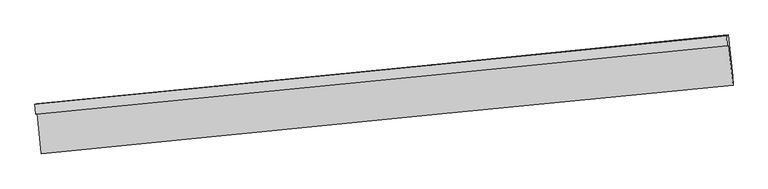
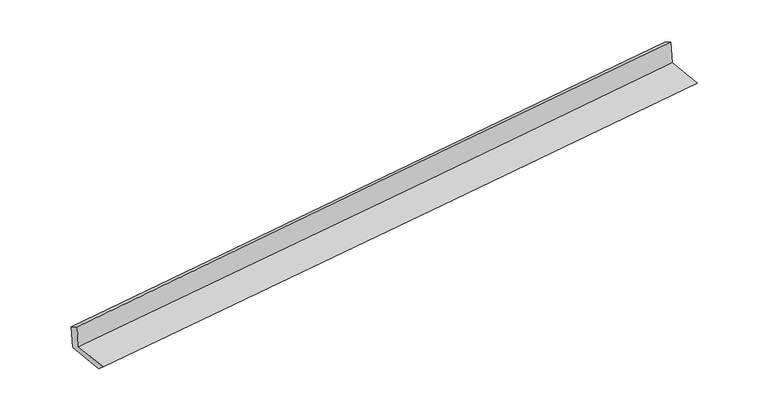
"""IFC4 building model written with IfcOpenShell, lengths in millimetres: proxy geometry."""

from ifc_helpers import new_model, si_unit, frame, origin, place, context, project, spatial, source, transform, mapped, element, save
from ifc_brep_helpers import plane_surface, spline_curve, spline_surface, advanced_brep


def generic_models_1420436c(model_context):
    return source(origin(), model_context, "Body", "AdvancedBrep", [
        advanced_brep(
        [(-5924.4236817, -2096.6473435, 1493.6797297), (-5857.0507228, -2749.0366444, 1482.7555403), (5418.3965948, -1632.4366155, 2237.4193557), (5350.5100832, -975.0744553, 2248.4268151), (-5950.8941823, -2105.9718748, 1887.2859124), (5323.3687733, -984.6352867, 2652.0076746), (-5960.9659802, -1940.256217, 1788.9867244), (5313.2969754, -818.919629, 2553.7084866), (-5933.6038391, -1930.6175954, 1382.12219), (5340.6591165, -809.2810073, 2146.8439522), (-5862.9095311, -2615.1683542, 1370.6594603), (5410.3263192, -1483.8860475, 2135.5477625)],
        [
            (0, 1),
            (1, 2, spline_curve(3, [(-5857.0507228, -2749.0366444, 1482.7555403), (-3707.173144406, -2532.039958609, 1616.718831322), (-1557.445980112, -2317.400674272, 1756.350049064), (2200.970303011, -1946.237521307, 2010.39758004), (3809.725577411, -1788.676795997, 2122.320968075), (5418.3965948, -1632.4366155, 2237.4193557)], [4, 2, 4], [0.0, 21.30827477866371, 37.25634214070034])),
            (2, 3),
            (3, 0, spline_curve(3, [(5350.5100832, -975.0744553, 2248.4268151), (3742.382833774, -1136.580078424, 2133.240258053), (2133.969927491, -1297.456043157, 2021.261356842), (-1624.117036889, -1671.808063311, 1767.160428834), (-3774.015385919, -1884.789727757, 1627.556967964), (-5924.4236817, -2096.6473435, 1493.6797297)], [4, 2, 4], [0.0, 15.948067362036632, 37.25634214070034])),
            (4, 0),
            (3, 5),
            (5, 4, spline_curve(3, [(5323.3687733, -984.6352867, 2652.0076746), (3714.583449129, -1146.372723731, 2546.606437861), (2105.835138096, -1307.366839087, 2439.614875028), (-1652.281575177, -1681.729338231, 2185.956303275), (-3801.620916808, -1894.514086246, 2038.040611672), (-5950.8941823, -2105.9718748, 1887.2859124)], [4, 2, 4], [0.0, 15.9479957302526, 37.25617480141129])),
            (6, 4),
            (5, 7),
            (7, 6, spline_curve(3, [(5313.2969754, -818.919629, 2553.7084866), (3704.511651259, -980.657065977, 2448.307250093), (2095.763340198, -1141.651181333, 2341.31568702), (-1662.35337308, -1516.013680605, 2087.657115285), (-3811.692714649, -1728.79842865, 1939.741424056), (-5960.9659802, -1940.256217, 1788.9867244)], [4, 2, 4], [0.0, 15.94798885816088, 37.256158747491114])),
            (8, 6),
            (7, 9),
            (9, 8, spline_curve(3, [(5340.6591165, -809.2810073, 2146.8439522), (3732.460228661, -970.811865654, 2032.722629802), (2124.047322585, -1131.687830432, 1920.743728361), (-1633.872287504, -1505.980898362, 1664.154301853), (-3783.547033251, -1718.88379635, 1521.225948426), (-5933.6038391, -1930.6175954, 1382.12219)], [4, 2, 4], [0.0, 15.947979036528782, 37.25613580313821])),
            (10, 8),
            (9, 11),
            (11, 10, spline_curve(3, [(5410.3263192, -1483.8860475, 2135.5477625), (3801.419130767, -1638.558250586, 2021.541287219), (2192.663855971, -1796.118975927, 1909.617899498), (-1565.200706133, -2170.945086942, 1653.019547352), (-3714.190714868, -2390.478463448, 1509.980167664), (-5862.9095311, -2615.1683542, 1370.6594603)], [4, 2, 4], [0.0, 15.947987160041745, 37.25615478050841])),
            (1, 10),
            (11, 2),
        ],
        [
            spline_surface(3, 3, [[(-5924.4236817, -2096.6473435, 1493.6797297), (-3774.01538588, -1884.789727886, 1627.556967772), (-1624.117037104, -1671.808063367, 1767.160428535), (2133.969927652, -1297.456043115, 2021.261357066), (3742.382833839, -1136.580078231, 2133.240258097), (5350.5100832, -975.0744553, 2248.4268151)], [(-5901.966028734, -2314.110443784, 1490.038333217), (-3751.734638726, -2100.539804707, 1623.944255685), (-1601.893351355, -1887.005600263, 1763.55696867), (2156.303386018, -1513.716535861, 2017.640098118), (3764.830415014, -1353.945650825, 2129.600494705), (5373.138920379, -1194.195175357, 2244.75766195)], [(-5879.508375766, -2531.573544116, 1486.396936783), (-3729.453891571, -2316.289881575, 1620.331543647), (-1579.669665566, -2102.203137225, 1759.953508754), (2178.636844424, -1729.977028673, 2014.018839119), (3787.277996252, -1571.311223449, 2125.960731362), (5395.767757621, -1413.315895443, 2241.08850885)], [(-5857.0507228, -2749.0366444, 1482.7555403), (-3707.173144417, -2532.039958396, 1616.718831559), (-1557.445979817, -2317.400674122, 1756.350048889), (2200.97030279, -1946.237521419, 2010.397580171), (3809.725577427, -1788.676796044, 2122.32096797), (5418.3965948, -1632.4366155, 2237.4193557)]], [4, 4], [4, 2, 4], [0.0, 2.1339372395585614], [0.0, 21.30827477866371, 37.25634214070034]),
            spline_surface(3, 3, [[(-5950.8941823, -2105.9718748, 1887.2859124), (-3801.620916539, -1894.514086279, 2038.040611739), (-1652.281575462, -1681.729338536, 2185.956303079), (2105.83513831, -1307.36683886, 2439.614875174), (3714.583449096, -1146.372723889, 2546.6064379), (5323.3687733, -984.6352867, 2652.0076746)], [(-5942.070682095, -2102.863697699, 1756.083851519), (-3792.419072981, -1891.27263348, 1901.212730435), (-1642.893395987, -1678.422246816, 2046.357678222), (2115.213401446, -1304.063240282, 2300.163702462), (3723.849910682, -1143.108508664, 2408.81771132), (5332.415876605, -981.448342894, 2517.480721454)], [(-5933.247181905, -2099.755520601, 1624.881790581), (-3783.217229438, -1888.031180685, 1764.384849076), (-1633.505216579, -1675.115155086, 1906.759053392), (2124.591664516, -1300.759641693, 2160.712529778), (3733.116372253, -1139.844293456, 2271.028984677), (5341.462979895, -978.261399106, 2382.953768246)], [(-5924.4236817, -2096.6473435, 1493.6797297), (-3774.01538588, -1884.789727886, 1627.556967772), (-1624.117037104, -1671.808063367, 1767.160428535), (2133.969927652, -1297.456043115, 2021.261357066), (3742.382833839, -1136.580078231, 2133.240258097), (5350.5100832, -975.0744553, 2248.4268151)]], [4, 4], [4, 2, 4], [0.0, 1.375635235280761], [0.0, 21.30817907115869, 37.25617480141129]),
            spline_surface(3, 3, [[(-5960.9659802, -1940.256217, 1788.9867244), (-3811.692714439, -1728.798428479, 1939.741423739), (-1662.353373362, -1516.013680836, 2087.657115079), (2095.76334041, -1141.65118116, 2341.315687174), (3704.511651196, -980.657066189, 2448.3072499), (5313.2969754, -818.919629, 2553.7084866)], [(-5957.60871423, -1995.494769588, 1821.753120398), (-3808.335448469, -1784.036981067, 1972.507819736), (-1658.996107392, -1571.252233424, 2120.423511077), (2099.120606379, -1196.889733748, 2374.082083172), (3707.868917165, -1035.895618777, 2481.073645897), (5316.65424137, -874.158181588, 2586.474882598)], [(-5954.25144827, -2050.733322212, 1854.519516402), (-3804.978182509, -1839.275533691, 2005.274215741), (-1655.638841432, -1626.490785948, 2153.189907081), (2102.47787234, -1252.128286272, 2406.848479177), (3711.226183126, -1091.134171301, 2513.840041902), (5320.01150733, -929.396734112, 2619.241278602)], [(-5950.8941823, -2105.9718748, 1887.2859124), (-3801.620916539, -1894.514086279, 2038.040611739), (-1652.281575462, -1681.729338536, 2185.956303079), (2105.83513831, -1307.36683886, 2439.614875174), (3714.583449096, -1146.372723889, 2546.6064379), (5323.3687733, -984.6352867, 2652.0076746)]], [4, 4], [4, 2, 4], [0.0, 0.6330053097210683], [0.0, 21.308169889330234, 37.256158747491114]),
            spline_surface(3, 3, [[(-5933.6038391, -1930.6175954, 1382.12219), (-3783.547033232, -1718.883796071, 1521.225948729), (-1633.872287556, -1505.980898242, 1664.154301662), (2124.047322624, -1131.687830521, 1920.743728504), (3732.460228811, -970.811865637, 2032.722629636), (5340.6591165, -809.2810073, 2146.8439522)], [(-5942.724552801, -1933.830469295, 1517.74370147), (-3792.928926968, -1722.188673569, 1660.731107069), (-1643.365982842, -1509.325159092, 1805.321906135), (2114.619328535, -1135.008947386, 2060.934381395), (3723.144036272, -974.093599149, 2171.250836394), (5331.538402799, -812.493881195, 2282.46546367)], [(-5951.845266499, -1937.043343105, 1653.36521293), (-3802.310820703, -1725.493550982, 1800.236265399), (-1652.859678076, -1512.669419986, 1946.489510606), (2105.191334499, -1138.330064295, 2201.125034284), (3713.827843735, -977.375332677, 2309.779043142), (5322.417689101, -815.706755105, 2418.08697513)], [(-5960.9659802, -1940.256217, 1788.9867244), (-3811.692714439, -1728.798428479, 1939.741423739), (-1662.353373362, -1516.013680836, 2087.657115079), (2095.76334041, -1141.65118116, 2341.315687174), (3704.511651196, -980.657066189, 2448.3072499), (5313.2969754, -818.919629, 2553.7084866)]], [4, 4], [4, 2, 4], [0.0, 1.38849907849751], [0.0, 21.308156766609425, 37.25613580313821]),
            spline_surface(3, 3, [[(-5862.9095311, -2615.1683542, 1370.6594603), (-3714.190714983, -2390.478463695, 1509.980167397), (-1565.200706206, -2170.945086847, 1653.019547097), (2192.663856026, -1796.118975998, 1909.617899689), (3801.419130662, -1638.558250623, 2021.541287388), (5410.3263192, -1483.8860475, 2135.5477625)], [(-5886.474300418, -2386.984767912, 1374.480370181), (-3737.309487717, -2166.613574466, 1513.728761155), (-1588.091233323, -1949.290357315, 1656.731131966), (2169.791678224, -1574.641927508, 1913.326509308), (3778.432830052, -1415.976122285, 2025.268401451), (5387.103918307, -1259.017700757, 2139.313159047)], [(-5910.039069782, -2158.801181688, 1378.301280119), (-3760.428260497, -1942.748685301, 1517.47735497), (-1610.981760438, -1727.635627775, 1660.442716793), (2146.919500425, -1353.164879011, 1917.035118885), (3755.446529421, -1193.393993975, 2028.995515572), (5363.881517393, -1034.149354043, 2143.078555653)], [(-5933.6038391, -1930.6175954, 1382.12219), (-3783.547033232, -1718.883796071, 1521.225948729), (-1633.872287556, -1505.980898242, 1664.154301662), (2124.047322624, -1131.687830521, 1920.743728504), (3732.460228811, -970.811865637, 2032.722629636), (5340.6591165, -809.2810073, 2146.8439522)]], [4, 4], [4, 2, 4], [0.0, 2.1939120414233306], [0.0, 21.308167620466666, 37.25615478050841]),
            spline_surface(3, 3, [[(-5857.0507228, -2749.0366444, 1482.7555403), (-3707.173144417, -2532.039958396, 1616.718831559), (-1557.445979817, -2317.400674122, 1756.350048889), (2200.97030279, -1946.237521419, 2010.397580171), (3809.725577427, -1788.676796044, 2122.32096797), (5418.3965948, -1632.4366155, 2237.4193557)], [(-5859.003658922, -2704.413881022, 1445.390180316), (-3709.512334628, -2484.852793518, 1581.139276854), (-1560.030888606, -2268.58214504, 1721.906548272), (2198.201487209, -1896.198006288, 1976.804353324), (3806.956761845, -1738.637280912, 2088.727741123), (5415.70650294, -1582.919759509, 2203.46215798)], [(-5860.956594978, -2659.791117578, 1408.024820284), (-3711.851524773, -2437.665628573, 1545.559722102), (-1562.615797416, -2219.76361593, 1687.463047714), (2195.432671607, -1846.158491129, 1943.211126536), (3804.187946243, -1688.597765754, 2055.134514235), (5413.01641106, -1533.402903491, 2169.50496022)], [(-5862.9095311, -2615.1683542, 1370.6594603), (-3714.190714983, -2390.478463695, 1509.980167397), (-1565.200706206, -2170.945086847, 1653.019547097), (2192.663856026, -1796.118975998, 1909.617899689), (3801.419130662, -1638.558250623, 2021.541287388), (5410.3263192, -1483.8860475, 2135.5477625)]], [4, 4], [4, 2, 4], [0.0, 0.5902407150539376], [0.0, 21.30823382988461, 37.25627054402064]),
            plane_surface(frame((5359.4263104, -1117.3721735, 2328.9923411), z_axis=(0.9924468229284346, 0.10133326578875369, 0.06914385658785929), x_axis=(-0.06708093008592313, -0.023630011443408747, 0.997467679365097))),
            plane_surface(frame((-5914.9746562, -2239.6163382, 1567.5815929), z_axis=(-0.9924468229284308, -0.10133326578875859, -0.06914385658790692), x_axis=(-0.10271052759121327, 0.9945718635693295, 0.0166540000650196))),
        ],
        [
            (0, [[1, 2, 3, 4]]),
            (1, [[5, -4, 6, 7]]),
            (2, [[8, -7, 9, 10]]),
            (3, [[11, -10, 12, 13]]),
            (4, [[14, -13, 15, 16]]),
            (5, [[17, -16, 18, -2]]),
            (6, [[-12, -9, -6, -3, -18, -15]]),
            (7, [[-1, -5, -8, -11, -14, -17]]),
        ],
    ),
    ])


if __name__ == "__main__":
    model = new_model("IFC4")
    model_context = context("Model", 3, world=origin())
    ifc_project = project(units=[si_unit("LENGTHUNIT", "METRE", prefix="MILLI")], contexts=[model_context])
    site = spatial("IfcSite", under=ifc_project)
    building = spatial("IfcBuilding", under=site)
    placement = place(None, origin())
    generic_models_shape = generic_models_1420436c(model_context)
    element("IfcBuildingElementProxy", 1, Name="Generic Models", at=placement, inside=building, context=model_context, shape_type="MappedRepresentation", body=[
        mapped(generic_models_shape, transform((0.0, 0.0, 0.0), x_axis=(1.0, 0.0, 0.0), y_axis=(0.0, 1.0, 0.0), z_axis=(0.0, 0.0, 1.0))),
    ])
    save(model, "model.ifc")
